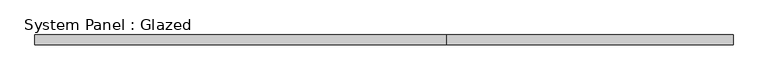
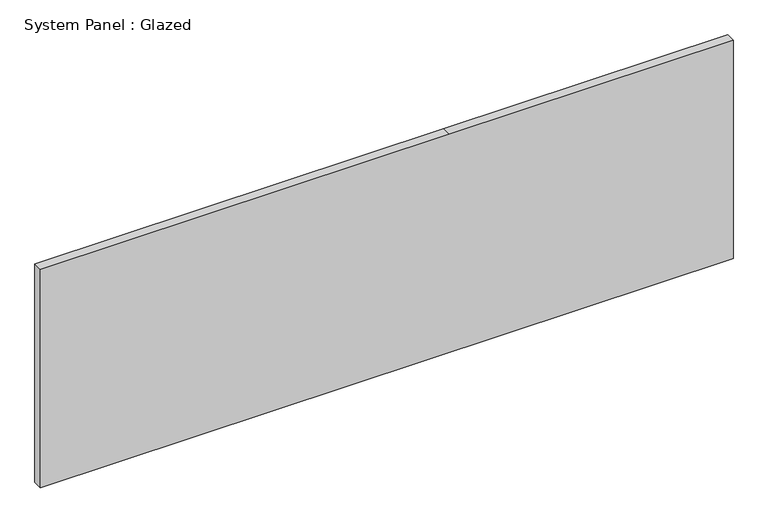
"""IFC4 building model written with IfcOpenShell, lengths in millimetres: plate geometry, System Panel : Glazed."""

from ifc_helpers import new_model, si_unit, frame, origin, place, context, project, spatial, polyline, outline, extrude, source, transform, mapped, element, save


def system_panel_glazed_397627c6(model_context):
    return source(origin(), model_context, "Body", "SweptSolid", [
        extrude(outline(polyline([(0.0, -914.4), (0.0, 914.4), (609.6, 914.4), (609.6, 164.9638725), (609.6, -914.4), (0.0, -914.4)])), frame((0.0, 19.05, 0.0), z_axis=(0.0, 1.0, 0.0), x_axis=(0.0, 0.0, 1.0)), (0.0, 0.0, 1.0), 25.4),
    ])


if __name__ == "__main__":
    model = new_model("IFC4")
    model_context = context("Model", 3, world=origin())
    ifc_project = project(units=[si_unit("LENGTHUNIT", "METRE", prefix="MILLI")], contexts=[model_context])
    site = spatial("IfcSite", under=ifc_project)
    building = spatial("IfcBuilding", under=site)
    placement = place(None, origin())
    system_panel_glazed_shape = system_panel_glazed_397627c6(model_context)
    element("IfcPlate", 1, ObjectType="System Panel : Glazed", at=placement, inside=building, context=model_context, shape_type="MappedRepresentation", body=[
        mapped(system_panel_glazed_shape, transform((0.0, 0.0, 0.0), x_axis=(1.0, 0.0, 0.0), y_axis=(0.0, 1.0, 0.0), z_axis=(0.0, 0.0, 1.0))),
    ])
    save(model, "model.ifc")
